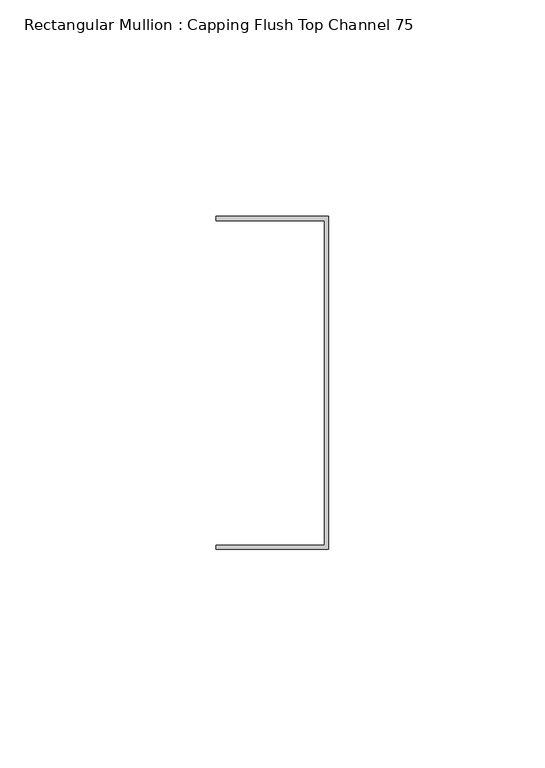
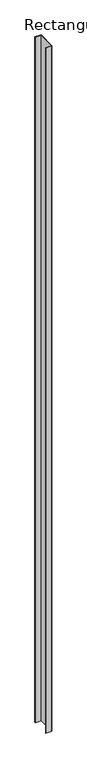
"""IFC4 building model written with IfcOpenShell, lengths in millimetres: member geometry, Rectangular Mullion : Capping Flush Top Channel 75."""

from ifc_helpers import new_model, si_unit, frame, origin, place, context, project, spatial, polyline, outline, extrude, source, transform, mapped, element, save


def rectangular_mullion_capping_flush_top_channel_75_fc096d8c(model_context):
    return source(origin(), model_context, "Body", "SweptSolid", [
        extrude(outline(polyline([(-0.95, -37.5), (-0.95, 37.5), (-25.95, 37.5), (-25.95, 38.45), (0.0, 38.45), (0.0, -38.45), (-25.95, -38.45), (-25.95, -37.5), (-0.95, -37.5)])), frame((0.0, 0.0, -3000.0), z_axis=(0.0, 0.0, 1.0), x_axis=(1.0, 0.0, 0.0)), (0.0, 0.0, 1.0), 3000.0),
    ])


if __name__ == "__main__":
    model = new_model("IFC4")
    model_context = context("Model", 3, world=origin())
    ifc_project = project(units=[si_unit("LENGTHUNIT", "METRE", prefix="MILLI")], contexts=[model_context])
    site = spatial("IfcSite", under=ifc_project)
    building = spatial("IfcBuilding", under=site)
    placement = place(None, origin())
    rectangular_mullion_capping_flush_top_channel_75_shape = rectangular_mullion_capping_flush_top_channel_75_fc096d8c(model_context)
    element("IfcMember", 1, ObjectType="Rectangular Mullion : Capping Flush Top Channel 75", at=placement, inside=building, context=model_context, shape_type="MappedRepresentation", body=[
        mapped(rectangular_mullion_capping_flush_top_channel_75_shape, transform((0.0, 0.0, 0.0), x_axis=(1.0, 0.0, 0.0), y_axis=(0.0, 1.0, 0.0), z_axis=(0.0, 0.0, 1.0))),
    ])
    save(model, "model.ifc")
